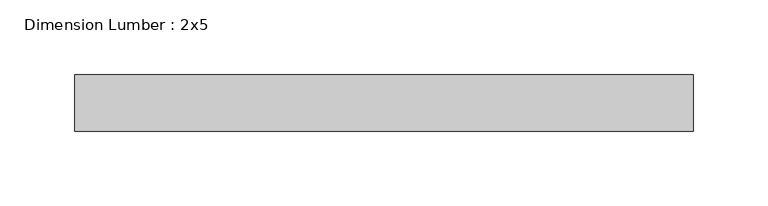
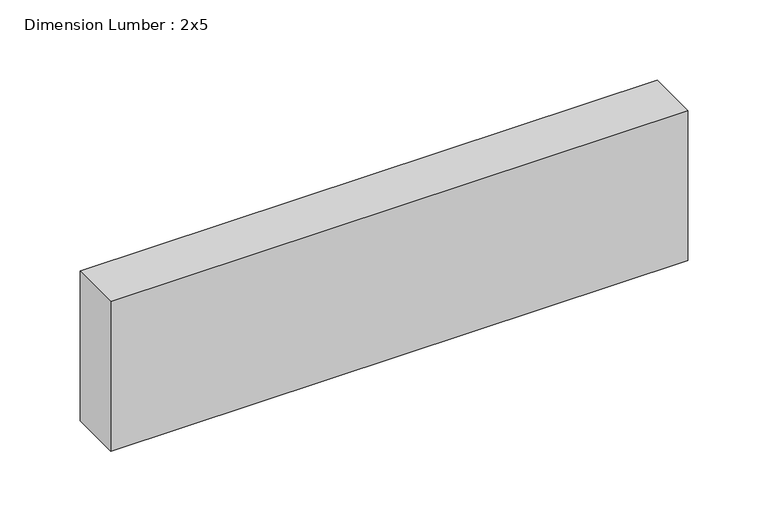
"""IFC4 building model written with IfcOpenShell, lengths in millimetres: beam geometry, Dimension Lumber : 2x5."""

from ifc_helpers import new_model, si_unit, frame, origin, place, context, project, spatial, polyline, outline, extrude, source, transform, mapped, element, save


def dimension_lumber_2x5_f530df49(model_context):
    return source(origin(), model_context, "Body", "SweptSolid", [
        extrude(outline(polyline([(207.7115736, 19.05), (207.7115736, -19.05), (-207.7115736, -19.05), (-207.7115736, 19.05), (207.7115736, 19.05)])), frame((0.0, 0.0, -57.15), z_axis=(0.0, 0.0, 1.0), x_axis=(1.0, 0.0, 0.0)), (0.0, 0.0, 1.0), 114.3),
    ])


if __name__ == "__main__":
    model = new_model("IFC4")
    model_context = context("Model", 3, world=origin())
    ifc_project = project(units=[si_unit("LENGTHUNIT", "METRE", prefix="MILLI")], contexts=[model_context])
    site = spatial("IfcSite", under=ifc_project)
    building = spatial("IfcBuilding", under=site)
    placement = place(None, origin())
    dimension_lumber_2x5_shape = dimension_lumber_2x5_f530df49(model_context)
    element("IfcBeam", 1, ObjectType="Dimension Lumber : 2x5", at=placement, inside=building, context=model_context, shape_type="MappedRepresentation", body=[
        mapped(dimension_lumber_2x5_shape, transform((0.0, 0.0, 0.0), x_axis=(1.0, 0.0, 0.0), y_axis=(0.0, 1.0, 0.0), z_axis=(0.0, 0.0, 1.0))),
    ])
    save(model, "model.ifc")
